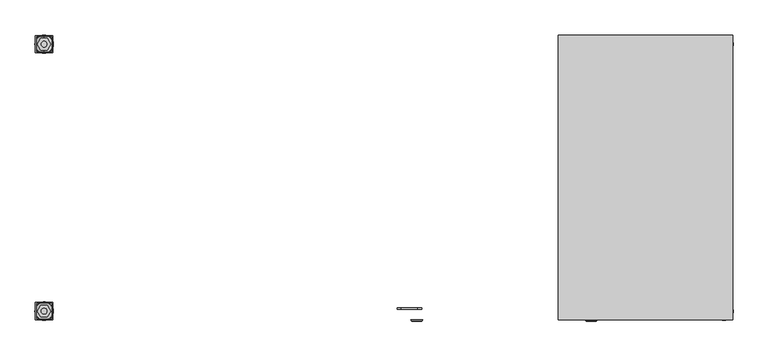
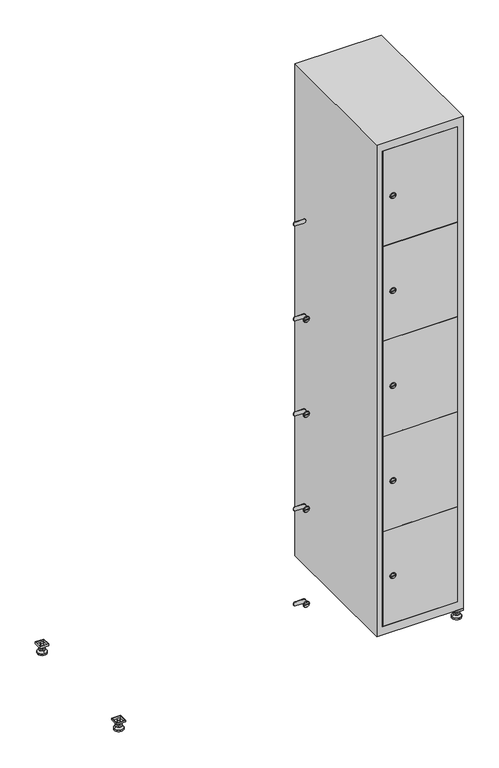
"""IFC4 building model written with IfcOpenShell, lengths in millimetres: furniture geometry."""

from ifc_helpers import new_model, si_unit, point, frame, frame_2d, origin, origin_with_axes, place, context, project, spatial, polyline, circle_curve, trimmed, segment, composite_curve, outline, extrude, faceted_brep, source, transform, mapped, element, save
from ifc_brep_helpers import plane_surface, revolved_surface, advanced_brep


def furniture_40cb9437(model_context):
    return source(origin(), model_context, "Body", "SolidModel", [
        extrude(outline(polyline([(1000.0, 245.0), (1000.0, 215.0), (970.0, 215.0), (970.0, 245.0), (1000.0, 245.0)]), holes=[polyline([(998.0, 243.0), (972.0, 243.0), (972.0, 217.0), (998.0, 217.0), (998.0, 243.0)])]), frame((0.0, 0.0, 28.5), z_axis=(0.0, 0.0, 1.0), x_axis=(1.0, 0.0, 0.0)), (0.0, 0.0, 1.0), 6.5),
        extrude(outline(polyline([(970.0, -245.0), (970.0, -215.0), (1000.0, -215.0), (1000.0, -245.0), (970.0, -245.0)]), holes=[polyline([(972.0, -243.0), (998.0, -243.0), (998.0, -217.0), (972.0, -217.0), (972.0, -243.0)])]), frame((0.0, 0.0, 28.5), z_axis=(0.0, 0.0, 1.0), x_axis=(1.0, 0.0, 0.0)), (0.0, 0.0, 1.0), 6.5),
        extrude(outline(polyline([(-170.0, 245.0), (-170.0, 215.0), (-200.0, 215.0), (-200.0, 245.0), (-170.0, 245.0)]), holes=[polyline([(-172.0, 243.0), (-198.0, 243.0), (-198.0, 217.0), (-172.0, 217.0), (-172.0, 243.0)])]), frame((0.0, 0.0, 28.5), z_axis=(0.0, 0.0, 1.0), x_axis=(1.0, 0.0, 0.0)), (0.0, 0.0, 1.0), 6.5),
        extrude(outline(polyline([(-170.0, -215.0), (-170.0, -245.0), (-200.0, -245.0), (-200.0, -215.0), (-170.0, -215.0)]), holes=[polyline([(-198.0, -243.0), (-172.0, -243.0), (-172.0, -217.0), (-198.0, -217.0), (-198.0, -243.0)])]), frame((0.0, 0.0, 28.5), z_axis=(0.0, 0.0, 1.0), x_axis=(1.0, 0.0, 0.0)), (0.0, 0.0, 1.0), 6.5),
        extrude(outline(composite_curve([segment(trimmed(circle_curve(frame_2d((-185.0, 230.0)), 5.0), [point((-180.0, 230.0))], [point((-190.0, 230.0))], False, "CARTESIAN"), True, "CONTINUOUS"), segment(trimmed(circle_curve(frame_2d((-185.0, 230.0)), 5.0), [point((-190.0, 230.0))], [point((-180.0, 230.0))], False, "CARTESIAN"), True, "CONTINUOUS")], self_intersect=False)), frame((0.0, 0.0, 19.6), z_axis=(0.0, 0.0, 1.0), x_axis=(1.0, 0.0, 0.0)), (0.0, 0.0, 1.0), 15.4),
        extrude(outline(composite_curve([segment(trimmed(circle_curve(frame_2d((-185.0, -230.0)), 5.0), [point((-180.0, -230.0))], [point((-190.0, -230.0))], False, "CARTESIAN"), True, "CONTINUOUS"), segment(trimmed(circle_curve(frame_2d((-185.0, -230.0)), 5.0), [point((-190.0, -230.0))], [point((-180.0, -230.0))], False, "CARTESIAN"), True, "CONTINUOUS")], self_intersect=False)), frame((0.0, 0.0, 19.6), z_axis=(0.0, 0.0, 1.0), x_axis=(1.0, 0.0, 0.0)), (0.0, 0.0, 1.0), 15.4),
        extrude(outline(composite_curve([segment(trimmed(circle_curve(frame_2d((985.0, 230.0)), 5.0), [point((990.0, 230.0))], [point((980.0, 230.0))], False, "CARTESIAN"), True, "CONTINUOUS"), segment(trimmed(circle_curve(frame_2d((985.0, 230.0)), 5.0), [point((980.0, 230.0))], [point((990.0, 230.0))], False, "CARTESIAN"), True, "CONTINUOUS")], self_intersect=False)), frame((0.0, 0.0, 19.6), z_axis=(0.0, 0.0, 1.0), x_axis=(1.0, 0.0, 0.0)), (0.0, 0.0, 1.0), 15.4),
        extrude(outline(polyline([(973.4529946, 230.0), (979.2264973, 240.0), (990.7735027, 240.0), (996.5470054, 230.0), (990.7735027, 220.0), (979.2264973, 220.0), (973.4529946, 230.0)])), frame((0.0, 0.0, 13.6), z_axis=(0.0, 0.0, 1.0), x_axis=(1.0, 0.0, 0.0)), (0.0, 0.0, 1.0), 6.0),
        extrude(outline(composite_curve([segment(trimmed(circle_curve(frame_2d((985.0, -230.0)), 5.0), [point((990.0, -230.0))], [point((980.0, -230.0))], False, "CARTESIAN"), True, "CONTINUOUS"), segment(trimmed(circle_curve(frame_2d((985.0, -230.0)), 5.0), [point((980.0, -230.0))], [point((990.0, -230.0))], False, "CARTESIAN"), True, "CONTINUOUS")], self_intersect=False)), frame((0.0, 0.0, 19.6), z_axis=(0.0, 0.0, 1.0), x_axis=(1.0, 0.0, 0.0)), (0.0, 0.0, 1.0), 15.4),
        extrude(outline(polyline([(973.4529946, -230.0), (979.2264973, -220.0), (990.7735027, -220.0), (996.5470054, -230.0), (990.7735027, -240.0), (979.2264973, -240.0), (973.4529946, -230.0)])), frame((0.0, 0.0, 13.6), z_axis=(0.0, 0.0, 1.0), x_axis=(1.0, 0.0, 0.0)), (0.0, 0.0, 1.0), 6.0),
        extrude(outline(composite_curve([segment(trimmed(circle_curve(frame_2d((985.0, 230.0)), 5.0), [point((990.0, 230.0))], [point((980.0, 230.0))], False, "CARTESIAN"), True, "CONTINUOUS"), segment(trimmed(circle_curve(frame_2d((985.0, 230.0)), 5.0), [point((980.0, 230.0))], [point((990.0, 230.0))], False, "CARTESIAN"), True, "CONTINUOUS")], self_intersect=False)), frame((0.0, 0.0, 12.1), z_axis=(0.0, 0.0, 1.0), x_axis=(1.0, 0.0, 0.0)), (0.0, 0.0, 1.0), 1.5),
        extrude(outline(composite_curve([segment(trimmed(circle_curve(frame_2d((985.0, -230.0)), 5.0), [point((990.0, -230.0))], [point((980.0, -230.0))], False, "CARTESIAN"), True, "CONTINUOUS"), segment(trimmed(circle_curve(frame_2d((985.0, -230.0)), 5.0), [point((980.0, -230.0))], [point((990.0, -230.0))], False, "CARTESIAN"), True, "CONTINUOUS")], self_intersect=False)), frame((0.0, 0.0, 12.1), z_axis=(0.0, 0.0, 1.0), x_axis=(1.0, 0.0, 0.0)), (0.0, 0.0, 1.0), 1.5),
        extrude(outline(polyline([(-196.5470054, 230.0), (-190.7735027, 240.0), (-179.2264973, 240.0), (-173.4529946, 230.0), (-179.2264973, 220.0), (-190.7735027, 220.0), (-196.5470054, 230.0)])), frame((0.0, 0.0, 13.6), z_axis=(0.0, 0.0, 1.0), x_axis=(1.0, 0.0, 0.0)), (0.0, 0.0, 1.0), 6.0),
        extrude(outline(polyline([(-196.5470054, -230.0), (-190.7735027, -220.0), (-179.2264973, -220.0), (-173.4529946, -230.0), (-179.2264973, -240.0), (-190.7735027, -240.0), (-196.5470054, -230.0)])), frame((0.0, 0.0, 13.6), z_axis=(0.0, 0.0, 1.0), x_axis=(1.0, 0.0, 0.0)), (0.0, 0.0, 1.0), 6.0),
        extrude(outline(composite_curve([segment(trimmed(circle_curve(frame_2d((-185.0, 230.0)), 5.0), [point((-185.0, 235.0))], [point((-185.0, 225.0))], False, "CARTESIAN"), True, "CONTINUOUS"), segment(trimmed(circle_curve(frame_2d((-185.0, 230.0)), 5.0), [point((-185.0, 225.0))], [point((-185.0, 235.0))], False, "CARTESIAN"), True, "CONTINUOUS")], self_intersect=False)), frame((0.0, 0.0, 12.1), z_axis=(0.0, 0.0, 1.0), x_axis=(1.0, 0.0, 0.0)), (0.0, 0.0, 1.0), 1.5),
        extrude(outline(composite_curve([segment(trimmed(circle_curve(frame_2d((-185.0, -230.0)), 5.0), [point((-180.0, -230.0))], [point((-190.0, -230.0))], False, "CARTESIAN"), True, "CONTINUOUS"), segment(trimmed(circle_curve(frame_2d((-185.0, -230.0)), 5.0), [point((-190.0, -230.0))], [point((-180.0, -230.0))], False, "CARTESIAN"), True, "CONTINUOUS")], self_intersect=False)), frame((0.0, 0.0, 12.1), z_axis=(0.0, 0.0, 1.0), x_axis=(1.0, 0.0, 0.0)), (0.0, 0.0, 1.0), 1.5),
        extrude(outline(composite_curve([segment(trimmed(circle_curve(frame_2d((985.0, 230.0)), 15.75), [point((1000.75, 230.0))], [point((969.25, 230.0))], False, "CARTESIAN"), True, "CONTINUOUS"), segment(trimmed(circle_curve(frame_2d((985.0, 230.0)), 15.75), [point((969.25, 230.0))], [point((1000.75, 230.0))], False, "CARTESIAN"), True, "CONTINUOUS")], self_intersect=False)), origin_with_axes(), (0.0, 0.0, 1.0), 5.1),
        extrude(outline(composite_curve([segment(trimmed(circle_curve(frame_2d((985.0, -230.0)), 15.75), [point((985.0, -214.25))], [point((985.0, -245.75))], False, "CARTESIAN"), True, "CONTINUOUS"), segment(trimmed(circle_curve(frame_2d((985.0, -230.0)), 15.75), [point((985.0, -245.75))], [point((985.0, -214.25))], False, "CARTESIAN"), True, "CONTINUOUS")], self_intersect=False)), origin_with_axes(), (0.0, 0.0, 1.0), 5.1),
        extrude(outline(composite_curve([segment(trimmed(circle_curve(frame_2d((-185.0, -230.0)), 15.75), [point((-169.25, -230.0))], [point((-200.75, -230.0))], False, "CARTESIAN"), True, "CONTINUOUS"), segment(trimmed(circle_curve(frame_2d((-185.0, -230.0)), 15.75), [point((-200.75, -230.0))], [point((-169.25, -230.0))], False, "CARTESIAN"), True, "CONTINUOUS")], self_intersect=False)), origin_with_axes(), (0.0, 0.0, 1.0), 5.1),
        extrude(outline(composite_curve([segment(trimmed(circle_curve(frame_2d((-185.0, 230.0)), 15.75), [point((-169.25, 230.0))], [point((-200.75, 230.0))], False, "CARTESIAN"), True, "CONTINUOUS"), segment(trimmed(circle_curve(frame_2d((-185.0, 230.0)), 15.75), [point((-200.75, 230.0))], [point((-169.25, 230.0))], False, "CARTESIAN"), True, "CONTINUOUS")], self_intersect=False)), origin_with_axes(), (0.0, 0.0, 1.0), 5.1),
        advanced_brep(
        [(-185.0, 245.75, 5.1), (-185.0, 214.25, 5.1), (-185.0, 239.5, 12.1), (-185.0, 220.5, 12.1)],
        [
            (0, 1, circle_curve(frame((-185.0, 230.0, 5.1), z_axis=(0.0, 0.0, -1.0), x_axis=(0.0, 1.0, 0.0)), 15.75)),
            (1, 0, circle_curve(frame((-185.0, 230.0, 5.1), z_axis=(0.0, 0.0, -1.0), x_axis=(0.0, -1.0, 0.0)), 15.75)),
            (2, 3, circle_curve(frame((-185.0, 230.0, 12.1), z_axis=(0.0, 0.0, 1.0), x_axis=(0.0, -1.0, 0.0)), 9.5)),
            (3, 2, circle_curve(frame((-185.0, 230.0, 12.1), z_axis=(0.0, 0.0, 1.0), x_axis=(0.0, 1.0, 0.0)), 9.5)),
            (3, 1),
            (0, 2),
        ],
        [
            plane_surface(frame((-185.0, 230.0, 5.1), z_axis=(0.0, 0.0, -1.0), x_axis=(1.0, 0.0, 0.0))),
            plane_surface(frame((-185.0, 230.0, 12.1), z_axis=(0.0, 0.0, 1.0), x_axis=(1.0, 0.0, 0.0))),
            revolved_surface(polyline([(-185.0, 220.5, 12.099999999999998), (-185.0, 214.25, 5.099999999999998)]), (-185.0, 230.0, 22.74), (0.0, 0.0, -1.0)),
            revolved_surface(polyline([(-185.0, 239.5, 12.099999999999998), (-185.0, 245.75, 5.099999999999998)]), (-185.0, 230.0, 22.74), (0.0, 0.0, -1.0)),
        ],
        [
            (0, [[1, 2]]),
            (1, [[3, 4]]),
            (2, [[-4, 5, -1, 6]]),
            (3, [[-3, -6, -2, -5]]),
        ],
    ),
        advanced_brep(
        [(985.0, 245.75, 5.1), (985.0, 214.25, 5.1), (985.0, 239.5, 12.1), (985.0, 220.5, 12.1)],
        [
            (0, 1, circle_curve(frame((985.0, 230.0, 5.1), z_axis=(0.0, 0.0, -1.0), x_axis=(0.0, 1.0, 0.0)), 15.75)),
            (1, 0, circle_curve(frame((985.0, 230.0, 5.1), z_axis=(0.0, 0.0, -1.0), x_axis=(0.0, -1.0, 0.0)), 15.75)),
            (2, 3, circle_curve(frame((985.0, 230.0, 12.1), z_axis=(0.0, 0.0, 1.0), x_axis=(0.0, -1.0, 0.0)), 9.5)),
            (3, 2, circle_curve(frame((985.0, 230.0, 12.1), z_axis=(0.0, 0.0, 1.0), x_axis=(0.0, 1.0, 0.0)), 9.5)),
            (3, 1),
            (0, 2),
        ],
        [
            plane_surface(frame((985.0, 230.0, 5.1), z_axis=(0.0, 0.0, -1.0), x_axis=(1.0, 0.0, 0.0))),
            plane_surface(frame((985.0, 230.0, 12.1), z_axis=(0.0, 0.0, 1.0), x_axis=(1.0, 0.0, 0.0))),
            revolved_surface(polyline([(985.0, 220.5, 12.099999999999998), (985.0, 214.25, 5.099999999999998)]), (985.0, 230.0, 22.74), (0.0, 0.0, -1.0)),
            revolved_surface(polyline([(985.0, 239.5, 12.099999999999998), (985.0, 245.75, 5.099999999999998)]), (985.0, 230.0, 22.74), (0.0, 0.0, -1.0)),
        ],
        [
            (0, [[1, 2]]),
            (1, [[3, 4]]),
            (2, [[-4, 5, -1, 6]]),
            (3, [[-3, -6, -2, -5]]),
        ],
    ),
        advanced_brep(
        [(994.5, -230.0, 12.1), (975.5, -230.0, 12.1), (1000.75, -230.0, 5.1), (969.25, -230.0, 5.1)],
        [
            (0, 1, circle_curve(frame((985.0, -230.0, 12.1), z_axis=(0.0, 0.0, 1.0), x_axis=(1.0, 0.0, 0.0)), 9.5)),
            (1, 0, circle_curve(frame((985.0, -230.0, 12.1), z_axis=(0.0, 0.0, 1.0), x_axis=(-1.0, 0.0, 0.0)), 9.5)),
            (2, 3, circle_curve(frame((985.0, -230.0, 5.1), z_axis=(0.0, 0.0, -1.0), x_axis=(-1.0, 0.0, 0.0)), 15.75)),
            (3, 2, circle_curve(frame((985.0, -230.0, 5.1), z_axis=(0.0, 0.0, -1.0), x_axis=(1.0, 0.0, 0.0)), 15.75)),
            (3, 1),
            (0, 2),
        ],
        [
            plane_surface(frame((985.0, -230.0, 12.1), z_axis=(0.0, 0.0, 1.0), x_axis=(0.0, 1.0, 0.0))),
            plane_surface(frame((985.0, -230.0, 5.1), z_axis=(0.0, 0.0, -1.0), x_axis=(0.0, 1.0, 0.0))),
            revolved_surface(polyline([(994.5, -230.0, 12.099999999999998), (1000.75, -230.0, 5.099999999999998)]), (985.0, -230.0, 22.74), (0.0, 0.0, -1.0)),
            revolved_surface(polyline([(975.5, -230.0, 12.099999999999998), (969.25, -230.0, 5.099999999999998)]), (985.0, -230.0, 22.74), (0.0, 0.0, -1.0)),
        ],
        [
            (0, [[1, 2]]),
            (1, [[3, 4]]),
            (2, [[-4, 5, -1, 6]]),
            (3, [[-3, -6, -2, -5]]),
        ],
    ),
        advanced_brep(
        [(-175.5, -230.0, 12.1), (-194.5, -230.0, 12.1), (-169.25, -230.0, 5.1), (-200.75, -230.0, 5.1)],
        [
            (0, 1, circle_curve(frame((-185.0, -230.0, 12.1), z_axis=(0.0, 0.0, 1.0), x_axis=(1.0, 0.0, 0.0)), 9.5)),
            (1, 0, circle_curve(frame((-185.0, -230.0, 12.1), z_axis=(0.0, 0.0, 1.0), x_axis=(-1.0, 0.0, 0.0)), 9.5)),
            (2, 3, circle_curve(frame((-185.0, -230.0, 5.1), z_axis=(0.0, 0.0, -1.0), x_axis=(-1.0, 0.0, 0.0)), 15.75)),
            (3, 2, circle_curve(frame((-185.0, -230.0, 5.1), z_axis=(0.0, 0.0, -1.0), x_axis=(1.0, 0.0, 0.0)), 15.75)),
            (3, 1),
            (0, 2),
        ],
        [
            plane_surface(frame((-185.0, -230.0, 12.1), z_axis=(0.0, 0.0, 1.0), x_axis=(0.0, 1.0, 0.0))),
            plane_surface(frame((-185.0, -230.0, 5.1), z_axis=(0.0, 0.0, -1.0), x_axis=(0.0, 1.0, 0.0))),
            revolved_surface(polyline([(-175.5, -230.0, 12.099999999999998), (-169.25, -230.0, 5.099999999999998)]), (-185.0, -230.0, 22.74), (0.0, 0.0, -1.0)),
            revolved_surface(polyline([(-194.5, -230.0, 12.099999999999998), (-200.75, -230.0, 5.099999999999998)]), (-185.0, -230.0, 22.74), (0.0, 0.0, -1.0)),
        ],
        [
            (0, [[1, 2]]),
            (1, [[3, 4]]),
            (2, [[-4, 5, -1, 6]]),
            (3, [[-3, -6, -2, -5]]),
        ],
    ),
        extrude(outline(composite_curve([segment(trimmed(circle_curve(frame_2d((239.96, 729.6010534)), 7.0), [point((246.96, 729.6010534))], [point((232.96, 729.6010534))], False, "CARTESIAN"), True, "CONTINUOUS"), segment(polyline([(232.96, 729.6010534), (232.96, 757.6010534)]), True, "CONTINUOUS"), segment(trimmed(circle_curve(frame_2d((239.96, 757.6010534)), 7.0), [point((232.96, 757.6010534))], [point((246.96, 757.6010534))], False, "CARTESIAN"), True, "CONTINUOUS"), segment(polyline([(246.96, 757.6010534), (246.96, 729.6010534)]), True, "CONTINUOUS")], self_intersect=False)), frame((0.0, -227.0, 0.0), z_axis=(0.0, 1.0, 0.0), x_axis=(0.0, 0.0, 1.0)), (0.0, 0.0, 1.0), 2.0),
        advanced_brep(
        [(764.9, -247.2, 239.96), (747.9, -247.2, 239.96), (751.4, -247.2, 238.71), (751.4, -247.2, 241.21), (761.4, -247.2, 241.21), (761.4, -247.2, 238.71), (766.9, -245.0, 239.96), (745.9, -245.0, 239.96), (751.4, -245.0, 241.21), (751.4, -245.0, 238.71), (761.4, -245.0, 238.71), (761.4, -245.0, 241.21)],
        [
            (0, 1, circle_curve(frame((756.4, -247.2, 239.96), z_axis=(0.0, -1.0, 0.0), x_axis=(1.0, 0.0, 0.0)), 8.5)),
            (1, 0, circle_curve(frame((756.4, -247.2, 239.96), z_axis=(0.0, -1.0, 0.0), x_axis=(-1.0, 0.0, 0.0)), 8.5)),
            (2, 3),
            (3, 4),
            (4, 5),
            (5, 2),
            (6, 7, circle_curve(frame((756.4, -245.0, 239.96), z_axis=(0.0, 1.0, 0.0), x_axis=(-1.0, 0.0, 0.0)), 10.5)),
            (7, 6, circle_curve(frame((756.4, -245.0, 239.96), z_axis=(0.0, 1.0, 0.0), x_axis=(1.0, 0.0, 0.0)), 10.5)),
            (8, 9),
            (9, 10),
            (10, 11),
            (11, 8),
            (0, 6),
            (7, 1),
            (8, 3),
            (2, 9),
            (11, 4),
            (10, 5),
        ],
        [
            plane_surface(frame((756.4, -247.2, 239.96), z_axis=(0.0, -1.0, 0.0), x_axis=(0.0, 0.0, 1.0))),
            plane_surface(frame((756.4, -245.0, 239.96), z_axis=(0.0, 1.0, 0.0), x_axis=(0.0, 0.0, 1.0))),
            revolved_surface(polyline([(764.9, -247.2, 239.96), (766.9, -245.0, 239.96)]), (756.4, -256.55, 239.96), (0.0, 1.0, 0.0)),
            revolved_surface(polyline([(747.9, -247.2, 239.96), (745.9, -245.0, 239.96)]), (756.4, -256.55, 239.96), (0.0, 1.0, 0.0)),
            plane_surface(frame((751.4, -245.0, 238.71), z_axis=(1.0, 0.0, 0.0), x_axis=(0.0, -1.0, 0.0))),
            plane_surface(frame((751.4, -245.0, 241.21), z_axis=(0.0, 0.0, -1.0), x_axis=(0.0, -1.0, 0.0))),
            plane_surface(frame((761.4, -245.0, 241.21), z_axis=(-1.0, 0.0, 0.0), x_axis=(0.0, -1.0, 0.0))),
            plane_surface(frame((761.4, -245.0, 238.71), z_axis=(0.0, 0.0, 1.0), x_axis=(0.0, -1.0, 0.0))),
        ],
        [
            (0, [[1, 2], [3, 4, 5, 6]]),
            (1, [[7, 8], [9, 10, 11, 12]]),
            (2, [[-1, 13, -8, 14]]),
            (3, [[-2, -14, -7, -13]]),
            (4, [[15, -3, 16, -9]]),
            (5, [[-15, -12, 17, -4]]),
            (6, [[-17, -11, 18, -5]]),
            (7, [[-16, -6, -18, -10]]),
        ],
    ),
        extrude(outline(composite_curve([segment(trimmed(circle_curve(frame_2d((587.48, 729.6010534)), 7.0), [point((594.48, 729.6010534))], [point((580.48, 729.6010534))], False, "CARTESIAN"), True, "CONTINUOUS"), segment(polyline([(580.48, 729.6010534), (580.48, 757.6010534)]), True, "CONTINUOUS"), segment(trimmed(circle_curve(frame_2d((587.48, 757.6010534)), 7.0), [point((580.48, 757.6010534))], [point((594.48, 757.6010534))], False, "CARTESIAN"), True, "CONTINUOUS"), segment(polyline([(594.48, 757.6010534), (594.48, 729.6010534)]), True, "CONTINUOUS")], self_intersect=False)), frame((0.0, -227.0, 0.0), z_axis=(0.0, 1.0, 0.0), x_axis=(0.0, 0.0, 1.0)), (0.0, 0.0, 1.0), 2.0),
        advanced_brep(
        [(764.9, -247.2, 587.48), (747.9, -247.2, 587.48), (751.4, -247.2, 586.23), (751.4, -247.2, 588.73), (761.4, -247.2, 588.73), (761.4, -247.2, 586.23), (766.9, -245.0, 587.48), (745.9, -245.0, 587.48), (751.4, -245.0, 588.73), (751.4, -245.0, 586.23), (761.4, -245.0, 586.23), (761.4, -245.0, 588.73)],
        [
            (0, 1, circle_curve(frame((756.4, -247.2, 587.48), z_axis=(0.0, -1.0, 0.0), x_axis=(1.0, 0.0, 0.0)), 8.5)),
            (1, 0, circle_curve(frame((756.4, -247.2, 587.48), z_axis=(0.0, -1.0, 0.0), x_axis=(-1.0, 0.0, 0.0)), 8.5)),
            (2, 3),
            (3, 4),
            (4, 5),
            (5, 2),
            (6, 7, circle_curve(frame((756.4, -245.0, 587.48), z_axis=(0.0, 1.0, 0.0), x_axis=(-1.0, 0.0, 0.0)), 10.5)),
            (7, 6, circle_curve(frame((756.4, -245.0, 587.48), z_axis=(0.0, 1.0, 0.0), x_axis=(1.0, 0.0, 0.0)), 10.5)),
            (8, 9),
            (9, 10),
            (10, 11),
            (11, 8),
            (0, 6),
            (7, 1),
            (8, 3),
            (2, 9),
            (11, 4),
            (10, 5),
        ],
        [
            plane_surface(frame((756.4, -247.2, 587.48), z_axis=(0.0, -1.0, 0.0), x_axis=(0.0, 0.0, 1.0))),
            plane_surface(frame((756.4, -245.0, 587.48), z_axis=(0.0, 1.0, 0.0), x_axis=(0.0, 0.0, 1.0))),
            revolved_surface(polyline([(764.9, -247.2, 587.48), (766.9, -245.0, 587.48)]), (756.4, -256.55, 587.48), (0.0, 1.0, 0.0)),
            revolved_surface(polyline([(747.9, -247.2, 587.48), (745.9, -245.0, 587.48)]), (756.4, -256.55, 587.48), (0.0, 1.0, 0.0)),
            plane_surface(frame((751.4, -245.0, 586.23), z_axis=(1.0, 0.0, 0.0), x_axis=(0.0, -1.0, 0.0))),
            plane_surface(frame((751.4, -245.0, 588.73), z_axis=(0.0, 0.0, -1.0), x_axis=(0.0, -1.0, 0.0))),
            plane_surface(frame((761.4, -245.0, 588.73), z_axis=(-1.0, 0.0, 0.0), x_axis=(0.0, -1.0, 0.0))),
            plane_surface(frame((761.4, -245.0, 586.23), z_axis=(0.0, 0.0, 1.0), x_axis=(0.0, -1.0, 0.0))),
        ],
        [
            (0, [[1, 2], [3, 4, 5, 6]]),
            (1, [[7, 8], [9, 10, 11, 12]]),
            (2, [[-1, 13, -8, 14]]),
            (3, [[-2, -14, -7, -13]]),
            (4, [[15, -3, 16, -9]]),
            (5, [[-15, -12, 17, -4]]),
            (6, [[-17, -11, 18, -5]]),
            (7, [[-16, -6, -18, -10]]),
        ],
    ),
        extrude(outline(composite_curve([segment(trimmed(circle_curve(frame_2d((935.0, 729.6010534)), 7.0), [point((942.0, 729.6010534))], [point((928.0, 729.6010534))], False, "CARTESIAN"), True, "CONTINUOUS"), segment(polyline([(928.0, 729.6010534), (928.0, 757.6010534)]), True, "CONTINUOUS"), segment(trimmed(circle_curve(frame_2d((935.0, 757.6010534)), 7.0), [point((928.0, 757.6010534))], [point((942.0, 757.6010534))], False, "CARTESIAN"), True, "CONTINUOUS"), segment(polyline([(942.0, 757.6010534), (942.0, 729.6010534)]), True, "CONTINUOUS")], self_intersect=False)), frame((0.0, -227.0, 0.0), z_axis=(0.0, 1.0, 0.0), x_axis=(0.0, 0.0, 1.0)), (0.0, 0.0, 1.0), 2.0),
        advanced_brep(
        [(764.9, -247.2, 935.0), (747.9, -247.2, 935.0), (751.4, -247.2, 933.75), (751.4, -247.2, 936.25), (761.4, -247.2, 936.25), (761.4, -247.2, 933.75), (766.9, -245.0, 935.0), (745.9, -245.0, 935.0), (751.4, -245.0, 936.25), (751.4, -245.0, 933.75), (761.4, -245.0, 933.75), (761.4, -245.0, 936.25)],
        [
            (0, 1, circle_curve(frame((756.4, -247.2, 935.0), z_axis=(0.0, -1.0, 0.0), x_axis=(1.0, 0.0, 0.0)), 8.5)),
            (1, 0, circle_curve(frame((756.4, -247.2, 935.0), z_axis=(0.0, -1.0, 0.0), x_axis=(-1.0, 0.0, 0.0)), 8.5)),
            (2, 3),
            (3, 4),
            (4, 5),
            (5, 2),
            (6, 7, circle_curve(frame((756.4, -245.0, 935.0), z_axis=(0.0, 1.0, 0.0), x_axis=(-1.0, 0.0, 0.0)), 10.5)),
            (7, 6, circle_curve(frame((756.4, -245.0, 935.0), z_axis=(0.0, 1.0, 0.0), x_axis=(1.0, 0.0, 0.0)), 10.5)),
            (8, 9),
            (9, 10),
            (10, 11),
            (11, 8),
            (0, 6),
            (7, 1),
            (8, 3),
            (2, 9),
            (11, 4),
            (10, 5),
        ],
        [
            plane_surface(frame((756.4, -247.2, 935.0), z_axis=(0.0, -1.0, 0.0), x_axis=(0.0, 0.0, 1.0))),
            plane_surface(frame((756.4, -245.0, 935.0), z_axis=(0.0, 1.0, 0.0), x_axis=(0.0, 0.0, 1.0))),
            revolved_surface(polyline([(764.9, -247.2, 935.0), (766.9, -245.0, 935.0)]), (756.4, -256.55, 935.0), (0.0, 1.0, 0.0)),
            revolved_surface(polyline([(747.9, -247.2, 935.0), (745.9, -245.0, 935.0)]), (756.4, -256.55, 935.0), (0.0, 1.0, 0.0)),
            plane_surface(frame((751.4, -245.0, 933.75), z_axis=(1.0, 0.0, 0.0), x_axis=(0.0, -1.0, 0.0))),
            plane_surface(frame((751.4, -245.0, 936.25), z_axis=(0.0, 0.0, -1.0), x_axis=(0.0, -1.0, 0.0))),
            plane_surface(frame((761.4, -245.0, 936.25), z_axis=(-1.0, 0.0, 0.0), x_axis=(0.0, -1.0, 0.0))),
            plane_surface(frame((761.4, -245.0, 933.75), z_axis=(0.0, 0.0, 1.0), x_axis=(0.0, -1.0, 0.0))),
        ],
        [
            (0, [[1, 2], [3, 4, 5, 6]]),
            (1, [[7, 8], [9, 10, 11, 12]]),
            (2, [[-1, 13, -8, 14]]),
            (3, [[-2, -14, -7, -13]]),
            (4, [[15, -3, 16, -9]]),
            (5, [[-15, -12, 17, -4]]),
            (6, [[-17, -11, 18, -5]]),
            (7, [[-16, -6, -18, -10]]),
        ],
    ),
        extrude(outline(composite_curve([segment(trimmed(circle_curve(frame_2d((1282.52, 729.6010534)), 7.0), [point((1289.52, 729.6010534))], [point((1275.52, 729.6010534))], False, "CARTESIAN"), True, "CONTINUOUS"), segment(polyline([(1275.52, 729.6010534), (1275.52, 757.6010534)]), True, "CONTINUOUS"), segment(trimmed(circle_curve(frame_2d((1282.52, 757.6010534)), 7.0), [point((1275.52, 757.6010534))], [point((1289.52, 757.6010534))], False, "CARTESIAN"), True, "CONTINUOUS"), segment(polyline([(1289.52, 757.6010534), (1289.52, 729.6010534)]), True, "CONTINUOUS")], self_intersect=False)), frame((0.0, -227.0, 0.0), z_axis=(0.0, 1.0, 0.0), x_axis=(0.0, 0.0, 1.0)), (0.0, 0.0, 1.0), 2.0),
        advanced_brep(
        [(764.9, -247.2, 1282.52), (747.9, -247.2, 1282.52), (751.4, -247.2, 1281.27), (751.4, -247.2, 1283.77), (761.4, -247.2, 1283.77), (761.4, -247.2, 1281.27), (766.9, -245.0, 1282.52), (745.9, -245.0, 1282.52), (751.4, -245.0, 1283.77), (751.4, -245.0, 1281.27), (761.4, -245.0, 1281.27), (761.4, -245.0, 1283.77)],
        [
            (0, 1, circle_curve(frame((756.4, -247.2, 1282.52), z_axis=(0.0, -1.0, 0.0), x_axis=(1.0, 0.0, 0.0)), 8.5)),
            (1, 0, circle_curve(frame((756.4, -247.2, 1282.52), z_axis=(0.0, -1.0, 0.0), x_axis=(-1.0, 0.0, 0.0)), 8.5)),
            (2, 3),
            (3, 4),
            (4, 5),
            (5, 2),
            (6, 7, circle_curve(frame((756.4, -245.0, 1282.52), z_axis=(0.0, 1.0, 0.0), x_axis=(-1.0, 0.0, 0.0)), 10.5)),
            (7, 6, circle_curve(frame((756.4, -245.0, 1282.52), z_axis=(0.0, 1.0, 0.0), x_axis=(1.0, 0.0, 0.0)), 10.5)),
            (8, 9),
            (9, 10),
            (10, 11),
            (11, 8),
            (0, 6),
            (7, 1),
            (8, 3),
            (2, 9),
            (11, 4),
            (10, 5),
        ],
        [
            plane_surface(frame((756.4, -247.2, 1282.52), z_axis=(0.0, -1.0, 0.0), x_axis=(0.0, 0.0, 1.0))),
            plane_surface(frame((756.4, -245.0, 1282.52), z_axis=(0.0, 1.0, 0.0), x_axis=(0.0, 0.0, 1.0))),
            revolved_surface(polyline([(764.9, -247.2, 1282.52), (766.9, -245.0, 1282.52)]), (756.4, -256.55, 1282.52), (0.0, 1.0, 0.0)),
            revolved_surface(polyline([(747.9, -247.2, 1282.52), (745.9, -245.0, 1282.52)]), (756.4, -256.55, 1282.52), (0.0, 1.0, 0.0)),
            plane_surface(frame((751.4, -245.0, 1281.27), z_axis=(1.0, 0.0, 0.0), x_axis=(0.0, -1.0, 0.0))),
            plane_surface(frame((751.4, -245.0, 1283.77), z_axis=(0.0, 0.0, -1.0), x_axis=(0.0, -1.0, 0.0))),
            plane_surface(frame((761.4, -245.0, 1283.77), z_axis=(-1.0, 0.0, 0.0), x_axis=(0.0, -1.0, 0.0))),
            plane_surface(frame((761.4, -245.0, 1281.27), z_axis=(0.0, 0.0, 1.0), x_axis=(0.0, -1.0, 0.0))),
        ],
        [
            (0, [[1, 2], [3, 4, 5, 6]]),
            (1, [[7, 8], [9, 10, 11, 12]]),
            (2, [[-1, 13, -8, 14]]),
            (3, [[-2, -14, -7, -13]]),
            (4, [[15, -3, 16, -9]]),
            (5, [[-15, -12, 17, -4]]),
            (6, [[-17, -11, 18, -5]]),
            (7, [[-16, -6, -18, -10]]),
        ],
    ),
        extrude(outline(composite_curve([segment(trimmed(circle_curve(frame_2d((1630.04, 729.6010534)), 7.0), [point((1637.04, 729.6010534))], [point((1623.04, 729.6010534))], False, "CARTESIAN"), True, "CONTINUOUS"), segment(polyline([(1623.04, 729.6010534), (1623.04, 757.6010534)]), True, "CONTINUOUS"), segment(trimmed(circle_curve(frame_2d((1630.04, 757.6010534)), 7.0), [point((1623.04, 757.6010534))], [point((1637.04, 757.6010534))], False, "CARTESIAN"), True, "CONTINUOUS"), segment(polyline([(1637.04, 757.6010534), (1637.04, 729.6010534)]), True, "CONTINUOUS")], self_intersect=False)), frame((0.0, -227.0, 0.0), z_axis=(0.0, 1.0, 0.0), x_axis=(0.0, 0.0, 1.0)), (0.0, 0.0, 1.0), 2.0),
        advanced_brep(
        [(764.9, -247.2, 1630.04), (747.9, -247.2, 1630.04), (751.4, -247.2, 1628.79), (751.4, -247.2, 1631.29), (761.4, -247.2, 1631.29), (761.4, -247.2, 1628.79), (766.9, -245.0, 1630.04), (745.9, -245.0, 1630.04), (751.4, -245.0, 1631.29), (751.4, -245.0, 1628.79), (761.4, -245.0, 1628.79), (761.4, -245.0, 1631.29)],
        [
            (0, 1, circle_curve(frame((756.4, -247.2, 1630.04), z_axis=(0.0, -1.0, 0.0), x_axis=(1.0, 0.0, 0.0)), 8.5)),
            (1, 0, circle_curve(frame((756.4, -247.2, 1630.04), z_axis=(0.0, -1.0, 0.0), x_axis=(-1.0, 0.0, 0.0)), 8.5)),
            (2, 3),
            (3, 4),
            (4, 5),
            (5, 2),
            (6, 7, circle_curve(frame((756.4, -245.0, 1630.04), z_axis=(0.0, 1.0, 0.0), x_axis=(-1.0, 0.0, 0.0)), 10.5)),
            (7, 6, circle_curve(frame((756.4, -245.0, 1630.04), z_axis=(0.0, 1.0, 0.0), x_axis=(1.0, 0.0, 0.0)), 10.5)),
            (8, 9),
            (9, 10),
            (10, 11),
            (11, 8),
            (0, 6),
            (7, 1),
            (8, 3),
            (2, 9),
            (11, 4),
            (10, 5),
        ],
        [
            plane_surface(frame((756.4, -247.2, 1630.04), z_axis=(0.0, -1.0, 0.0), x_axis=(0.0, 0.0, 1.0))),
            plane_surface(frame((756.4, -245.0, 1630.04), z_axis=(0.0, 1.0, 0.0), x_axis=(0.0, 0.0, 1.0))),
            revolved_surface(polyline([(764.9, -247.2, 1630.04), (766.9, -245.0, 1630.04)]), (756.4, -256.55, 1630.04), (0.0, 1.0, 0.0)),
            revolved_surface(polyline([(747.9, -247.2, 1630.04), (745.9, -245.0, 1630.04)]), (756.4, -256.55, 1630.04), (0.0, 1.0, 0.0)),
            plane_surface(frame((751.4, -245.0, 1628.79), z_axis=(1.0, 0.0, 0.0), x_axis=(0.0, -1.0, 0.0))),
            plane_surface(frame((751.4, -245.0, 1631.29), z_axis=(0.0, 0.0, -1.0), x_axis=(0.0, -1.0, 0.0))),
            plane_surface(frame((761.4, -245.0, 1631.29), z_axis=(-1.0, 0.0, 0.0), x_axis=(0.0, -1.0, 0.0))),
            plane_surface(frame((761.4, -245.0, 1628.79), z_axis=(0.0, 0.0, 1.0), x_axis=(0.0, -1.0, 0.0))),
        ],
        [
            (0, [[1, 2], [3, 4, 5, 6]]),
            (1, [[7, 8], [9, 10, 11, 12]]),
            (2, [[-1, 13, -8, 14]]),
            (3, [[-2, -14, -7, -13]]),
            (4, [[15, -3, 16, -9]]),
            (5, [[-15, -12, 17, -4]]),
            (6, [[-17, -11, 18, -5]]),
            (7, [[-16, -6, -18, -10]]),
        ],
    ),
        extrude(outline(polyline([(978.6, -227.0), (978.6, -245.0), (721.4, -245.0), (721.4, -227.0), (978.6, -227.0)])), frame((0.0, 0.0, 760.74), z_axis=(0.0, 0.0, 1.0), x_axis=(1.0, 0.0, 0.0)), (0.0, 0.0, 1.0), 348.52),
        extrude(outline(polyline([(978.6, -227.0), (978.6, -245.0), (721.4, -245.0), (721.4, -227.0), (978.6, -227.0)])), frame((0.0, 0.0, 413.22), z_axis=(0.0, 0.0, 1.0), x_axis=(1.0, 0.0, 0.0)), (0.0, 0.0, 1.0), 348.52),
        extrude(outline(polyline([(978.6, -227.0), (978.6, -245.0), (721.4, -245.0), (721.4, -227.0), (978.6, -227.0)])), frame((0.0, 0.0, 1108.26), z_axis=(0.0, 0.0, 1.0), x_axis=(1.0, 0.0, 0.0)), (0.0, 0.0, 1.0), 347.52),
        extrude(outline(polyline([(721.4, -245.0), (721.4, -227.0), (978.6, -227.0), (978.6, -245.0), (721.4, -245.0)])), frame((0.0, 0.0, 1456.78), z_axis=(0.0, 0.0, 1.0), x_axis=(1.0, 0.0, 0.0)), (0.0, 0.0, 1.0), 347.02),
        extrude(outline(polyline([(978.6, -227.0), (978.6, -245.0), (721.4, -245.0), (721.4, -227.0), (978.6, -227.0)])), frame((0.0, 0.0, 66.2), z_axis=(0.0, 0.0, 1.0), x_axis=(1.0, 0.0, 0.0)), (0.0, 0.0, 1.0), 348.02),
        extrude(outline(polyline([(979.6, 242.0), (979.6, -227.0), (720.4, -227.0), (720.4, 242.0), (979.6, 242.0)])), frame((0.0, 0.0, 1446.68), z_axis=(0.0, 0.0, 1.0), x_axis=(1.0, 0.0, 0.0)), (0.0, 0.0, 1.0), 20.4),
        extrude(outline(polyline([(979.6, 242.0), (979.6, -227.0), (720.4, -227.0), (720.4, 242.0), (979.6, 242.0)])), frame((0.0, 0.0, 1098.76), z_axis=(0.0, 0.0, 1.0), x_axis=(1.0, 0.0, 0.0)), (0.0, 0.0, 1.0), 20.4),
        extrude(outline(polyline([(979.6, 242.0), (979.6, -227.0), (720.4, -227.0), (720.4, 242.0), (979.6, 242.0)])), frame((0.0, 0.0, 750.84), z_axis=(0.0, 0.0, 1.0), x_axis=(1.0, 0.0, 0.0)), (0.0, 0.0, 1.0), 20.4),
        extrude(outline(polyline([(720.4, 242.0), (979.6, 242.0), (979.6, -227.0), (720.4, -227.0), (720.4, 242.0)])), frame((0.0, 0.0, 402.92), z_axis=(0.0, 0.0, 1.0), x_axis=(1.0, 0.0, 0.0)), (0.0, 0.0, 1.0), 20.4),
        faceted_brep([(1000.0, -245.0, 35.0), (1000.0, -245.0, 1835.0), (700.0, -245.0, 1835.0), (700.0, -245.0, 35.0), (979.6, -245.0, 1804.8), (979.6, -245.0, 65.2), (720.4, -245.0, 65.2), (720.4, -245.0, 1804.8), (1000.0, 245.0, 35.0), (700.0, 245.0, 35.0), (1000.0, 245.0, 1835.0), (700.0, 245.0, 1835.0), (979.6, 242.0, 1804.8), (979.6, 242.0, 65.2), (700.0, 245.0, 1804.8), (720.4, 242.0, 1804.8), (720.4, 242.0, 65.2)], [[[0, 1, 2, 3], [4, 5, 6, 7]], [[8, 0, 3, 9]], [[1, 0, 8, 10]], [[1, 10, 11, 2]], [[4, 12, 13, 5]], [[9, 3, 2, 11, 14]], [[10, 8, 9, 14, 11]], [[12, 15, 16, 13]], [[15, 7, 6, 16]], [[4, 7, 15, 12]], [[6, 5, 13, 16]]]),
        extrude(outline(composite_curve([segment(trimmed(circle_curve(frame_2d((239.96, 429.6010534)), 7.0), [point((246.96, 429.6010534))], [point((232.96, 429.6010534))], False, "CARTESIAN"), True, "CONTINUOUS"), segment(polyline([(232.96, 429.6010534), (232.96, 457.6010534)]), True, "CONTINUOUS"), segment(trimmed(circle_curve(frame_2d((239.96, 457.6010534)), 7.0), [point((232.96, 457.6010534))], [point((246.96, 457.6010534))], False, "CARTESIAN"), True, "CONTINUOUS"), segment(polyline([(246.96, 457.6010534), (246.96, 429.6010534)]), True, "CONTINUOUS")], self_intersect=False)), frame((0.0, -227.0, 0.0), z_axis=(0.0, 1.0, 0.0), x_axis=(0.0, 0.0, 1.0)), (0.0, 0.0, 1.0), 2.0),
        advanced_brep(
        [(464.9, -247.2, 239.96), (447.9, -247.2, 239.96), (451.4, -247.2, 238.71), (451.4, -247.2, 241.21), (461.4, -247.2, 241.21), (461.4, -247.2, 238.71), (466.9, -245.0, 239.96), (445.9, -245.0, 239.96), (451.4, -245.0, 241.21), (451.4, -245.0, 238.71), (461.4, -245.0, 238.71), (461.4, -245.0, 241.21)],
        [
            (0, 1, circle_curve(frame((456.4, -247.2, 239.96), z_axis=(0.0, -1.0, 0.0), x_axis=(1.0, 0.0, 0.0)), 8.5)),
            (1, 0, circle_curve(frame((456.4, -247.2, 239.96), z_axis=(0.0, -1.0, 0.0), x_axis=(-1.0, 0.0, 0.0)), 8.5)),
            (2, 3),
            (3, 4),
            (4, 5),
            (5, 2),
            (6, 7, circle_curve(frame((456.4, -245.0, 239.96), z_axis=(0.0, 1.0, 0.0), x_axis=(-1.0, 0.0, 0.0)), 10.5)),
            (7, 6, circle_curve(frame((456.4, -245.0, 239.96), z_axis=(0.0, 1.0, 0.0), x_axis=(1.0, 0.0, 0.0)), 10.5)),
            (8, 9),
            (9, 10),
            (10, 11),
            (11, 8),
            (0, 6),
            (7, 1),
            (8, 3),
            (2, 9),
            (11, 4),
            (10, 5),
        ],
        [
            plane_surface(frame((456.4, -247.2, 239.96), z_axis=(0.0, -1.0, 0.0), x_axis=(0.0, 0.0, 1.0))),
            plane_surface(frame((456.4, -245.0, 239.96), z_axis=(0.0, 1.0, 0.0), x_axis=(0.0, 0.0, 1.0))),
            revolved_surface(polyline([(464.9, -247.2, 239.96), (466.9, -245.0, 239.96)]), (456.4, -256.55, 239.96), (0.0, 1.0, 0.0)),
            revolved_surface(polyline([(447.9, -247.2, 239.96), (445.9, -245.0, 239.96)]), (456.4, -256.55, 239.96), (0.0, 1.0, 0.0)),
            plane_surface(frame((451.4, -245.0, 238.71), z_axis=(1.0, 0.0, 0.0), x_axis=(0.0, -1.0, 0.0))),
            plane_surface(frame((451.4, -245.0, 241.21), z_axis=(0.0, 0.0, -1.0), x_axis=(0.0, -1.0, 0.0))),
            plane_surface(frame((461.4, -245.0, 241.21), z_axis=(-1.0, 0.0, 0.0), x_axis=(0.0, -1.0, 0.0))),
            plane_surface(frame((461.4, -245.0, 238.71), z_axis=(0.0, 0.0, 1.0), x_axis=(0.0, -1.0, 0.0))),
        ],
        [
            (0, [[1, 2], [3, 4, 5, 6]]),
            (1, [[7, 8], [9, 10, 11, 12]]),
            (2, [[-1, 13, -8, 14]]),
            (3, [[-2, -14, -7, -13]]),
            (4, [[15, -3, 16, -9]]),
            (5, [[-15, -12, 17, -4]]),
            (6, [[-17, -11, 18, -5]]),
            (7, [[-16, -6, -18, -10]]),
        ],
    ),
        extrude(outline(composite_curve([segment(trimmed(circle_curve(frame_2d((587.48, 429.6010534)), 7.0), [point((594.48, 429.6010534))], [point((580.48, 429.6010534))], False, "CARTESIAN"), True, "CONTINUOUS"), segment(polyline([(580.48, 429.6010534), (580.48, 457.6010534)]), True, "CONTINUOUS"), segment(trimmed(circle_curve(frame_2d((587.48, 457.6010534)), 7.0), [point((580.48, 457.6010534))], [point((594.48, 457.6010534))], False, "CARTESIAN"), True, "CONTINUOUS"), segment(polyline([(594.48, 457.6010534), (594.48, 429.6010534)]), True, "CONTINUOUS")], self_intersect=False)), frame((0.0, -227.0, 0.0), z_axis=(0.0, 1.0, 0.0), x_axis=(0.0, 0.0, 1.0)), (0.0, 0.0, 1.0), 2.0),
        advanced_brep(
        [(464.9, -247.2, 587.48), (447.9, -247.2, 587.48), (451.4, -247.2, 586.23), (451.4, -247.2, 588.73), (461.4, -247.2, 588.73), (461.4, -247.2, 586.23), (466.9, -245.0, 587.48), (445.9, -245.0, 587.48), (451.4, -245.0, 588.73), (451.4, -245.0, 586.23), (461.4, -245.0, 586.23), (461.4, -245.0, 588.73)],
        [
            (0, 1, circle_curve(frame((456.4, -247.2, 587.48), z_axis=(0.0, -1.0, 0.0), x_axis=(1.0, 0.0, 0.0)), 8.5)),
            (1, 0, circle_curve(frame((456.4, -247.2, 587.48), z_axis=(0.0, -1.0, 0.0), x_axis=(-1.0, 0.0, 0.0)), 8.5)),
            (2, 3),
            (3, 4),
            (4, 5),
            (5, 2),
            (6, 7, circle_curve(frame((456.4, -245.0, 587.48), z_axis=(0.0, 1.0, 0.0), x_axis=(-1.0, 0.0, 0.0)), 10.5)),
            (7, 6, circle_curve(frame((456.4, -245.0, 587.48), z_axis=(0.0, 1.0, 0.0), x_axis=(1.0, 0.0, 0.0)), 10.5)),
            (8, 9),
            (9, 10),
            (10, 11),
            (11, 8),
            (0, 6),
            (7, 1),
            (8, 3),
            (2, 9),
            (11, 4),
            (10, 5),
        ],
        [
            plane_surface(frame((456.4, -247.2, 587.48), z_axis=(0.0, -1.0, 0.0), x_axis=(0.0, 0.0, 1.0))),
            plane_surface(frame((456.4, -245.0, 587.48), z_axis=(0.0, 1.0, 0.0), x_axis=(0.0, 0.0, 1.0))),
            revolved_surface(polyline([(464.9, -247.2, 587.48), (466.9, -245.0, 587.48)]), (456.4, -256.55, 587.48), (0.0, 1.0, 0.0)),
            revolved_surface(polyline([(447.9, -247.2, 587.48), (445.9, -245.0, 587.48)]), (456.4, -256.55, 587.48), (0.0, 1.0, 0.0)),
            plane_surface(frame((451.4, -245.0, 586.23), z_axis=(1.0, 0.0, 0.0), x_axis=(0.0, -1.0, 0.0))),
            plane_surface(frame((451.4, -245.0, 588.73), z_axis=(0.0, 0.0, -1.0), x_axis=(0.0, -1.0, 0.0))),
            plane_surface(frame((461.4, -245.0, 588.73), z_axis=(-1.0, 0.0, 0.0), x_axis=(0.0, -1.0, 0.0))),
            plane_surface(frame((461.4, -245.0, 586.23), z_axis=(0.0, 0.0, 1.0), x_axis=(0.0, -1.0, 0.0))),
        ],
        [
            (0, [[1, 2], [3, 4, 5, 6]]),
            (1, [[7, 8], [9, 10, 11, 12]]),
            (2, [[-1, 13, -8, 14]]),
            (3, [[-2, -14, -7, -13]]),
            (4, [[15, -3, 16, -9]]),
            (5, [[-15, -12, 17, -4]]),
            (6, [[-17, -11, 18, -5]]),
            (7, [[-16, -6, -18, -10]]),
        ],
    ),
        extrude(outline(composite_curve([segment(trimmed(circle_curve(frame_2d((935.0, 429.6010534)), 7.0), [point((942.0, 429.6010534))], [point((928.0, 429.6010534))], False, "CARTESIAN"), True, "CONTINUOUS"), segment(polyline([(928.0, 429.6010534), (928.0, 457.6010534)]), True, "CONTINUOUS"), segment(trimmed(circle_curve(frame_2d((935.0, 457.6010534)), 7.0), [point((928.0, 457.6010534))], [point((942.0, 457.6010534))], False, "CARTESIAN"), True, "CONTINUOUS"), segment(polyline([(942.0, 457.6010534), (942.0, 429.6010534)]), True, "CONTINUOUS")], self_intersect=False)), frame((0.0, -227.0, 0.0), z_axis=(0.0, 1.0, 0.0), x_axis=(0.0, 0.0, 1.0)), (0.0, 0.0, 1.0), 2.0),
        advanced_brep(
        [(464.9, -247.2, 935.0), (447.9, -247.2, 935.0), (451.4, -247.2, 933.75), (451.4, -247.2, 936.25), (461.4, -247.2, 936.25), (461.4, -247.2, 933.75), (466.9, -245.0, 935.0), (445.9, -245.0, 935.0), (451.4, -245.0, 936.25), (451.4, -245.0, 933.75), (461.4, -245.0, 933.75), (461.4, -245.0, 936.25)],
        [
            (0, 1, circle_curve(frame((456.4, -247.2, 935.0), z_axis=(0.0, -1.0, 0.0), x_axis=(1.0, 0.0, 0.0)), 8.5)),
            (1, 0, circle_curve(frame((456.4, -247.2, 935.0), z_axis=(0.0, -1.0, 0.0), x_axis=(-1.0, 0.0, 0.0)), 8.5)),
            (2, 3),
            (3, 4),
            (4, 5),
            (5, 2),
            (6, 7, circle_curve(frame((456.4, -245.0, 935.0), z_axis=(0.0, 1.0, 0.0), x_axis=(-1.0, 0.0, 0.0)), 10.5)),
            (7, 6, circle_curve(frame((456.4, -245.0, 935.0), z_axis=(0.0, 1.0, 0.0), x_axis=(1.0, 0.0, 0.0)), 10.5)),
            (8, 9),
            (9, 10),
            (10, 11),
            (11, 8),
            (0, 6),
            (7, 1),
            (8, 3),
            (2, 9),
            (11, 4),
            (10, 5),
        ],
        [
            plane_surface(frame((456.4, -247.2, 935.0), z_axis=(0.0, -1.0, 0.0), x_axis=(0.0, 0.0, 1.0))),
            plane_surface(frame((456.4, -245.0, 935.0), z_axis=(0.0, 1.0, 0.0), x_axis=(0.0, 0.0, 1.0))),
            revolved_surface(polyline([(464.9, -247.2, 935.0), (466.9, -245.0, 935.0)]), (456.4, -256.55, 935.0), (0.0, 1.0, 0.0)),
            revolved_surface(polyline([(447.9, -247.2, 935.0), (445.9, -245.0, 935.0)]), (456.4, -256.55, 935.0), (0.0, 1.0, 0.0)),
            plane_surface(frame((451.4, -245.0, 933.75), z_axis=(1.0, 0.0, 0.0), x_axis=(0.0, -1.0, 0.0))),
            plane_surface(frame((451.4, -245.0, 936.25), z_axis=(0.0, 0.0, -1.0), x_axis=(0.0, -1.0, 0.0))),
            plane_surface(frame((461.4, -245.0, 936.25), z_axis=(-1.0, 0.0, 0.0), x_axis=(0.0, -1.0, 0.0))),
            plane_surface(frame((461.4, -245.0, 933.75), z_axis=(0.0, 0.0, 1.0), x_axis=(0.0, -1.0, 0.0))),
        ],
        [
            (0, [[1, 2], [3, 4, 5, 6]]),
            (1, [[7, 8], [9, 10, 11, 12]]),
            (2, [[-1, 13, -8, 14]]),
            (3, [[-2, -14, -7, -13]]),
            (4, [[15, -3, 16, -9]]),
            (5, [[-15, -12, 17, -4]]),
            (6, [[-17, -11, 18, -5]]),
            (7, [[-16, -6, -18, -10]]),
        ],
    ),
        extrude(outline(composite_curve([segment(trimmed(circle_curve(frame_2d((1282.52, 429.6010534)), 7.0), [point((1289.52, 429.6010534))], [point((1275.52, 429.6010534))], False, "CARTESIAN"), True, "CONTINUOUS"), segment(polyline([(1275.52, 429.6010534), (1275.52, 457.6010534)]), True, "CONTINUOUS"), segment(trimmed(circle_curve(frame_2d((1282.52, 457.6010534)), 7.0), [point((1275.52, 457.6010534))], [point((1289.52, 457.6010534))], False, "CARTESIAN"), True, "CONTINUOUS"), segment(polyline([(1289.52, 457.6010534), (1289.52, 429.6010534)]), True, "CONTINUOUS")], self_intersect=False)), frame((0.0, -227.0, 0.0), z_axis=(0.0, 1.0, 0.0), x_axis=(0.0, 0.0, 1.0)), (0.0, 0.0, 1.0), 2.0),
        advanced_brep(
        [(464.9, -247.2, 1282.52), (447.9, -247.2, 1282.52), (451.4, -247.2, 1281.27), (451.4, -247.2, 1283.77), (461.4, -247.2, 1283.77), (461.4, -247.2, 1281.27), (466.9, -245.0, 1282.52), (445.9, -245.0, 1282.52), (451.4, -245.0, 1283.77), (451.4, -245.0, 1281.27), (461.4, -245.0, 1281.27), (461.4, -245.0, 1283.77)],
        [
            (0, 1, circle_curve(frame((456.4, -247.2, 1282.52), z_axis=(0.0, -1.0, 0.0), x_axis=(1.0, 0.0, 0.0)), 8.5)),
            (1, 0, circle_curve(frame((456.4, -247.2, 1282.52), z_axis=(0.0, -1.0, 0.0), x_axis=(-1.0, 0.0, 0.0)), 8.5)),
            (2, 3),
            (3, 4),
            (4, 5),
            (5, 2),
            (6, 7, circle_curve(frame((456.4, -245.0, 1282.52), z_axis=(0.0, 1.0, 0.0), x_axis=(-1.0, 0.0, 0.0)), 10.5)),
            (7, 6, circle_curve(frame((456.4, -245.0, 1282.52), z_axis=(0.0, 1.0, 0.0), x_axis=(1.0, 0.0, 0.0)), 10.5)),
            (8, 9),
            (9, 10),
            (10, 11),
            (11, 8),
            (0, 6),
            (7, 1),
            (8, 3),
            (2, 9),
            (11, 4),
            (10, 5),
        ],
        [
            plane_surface(frame((456.4, -247.2, 1282.52), z_axis=(0.0, -1.0, 0.0), x_axis=(0.0, 0.0, 1.0))),
            plane_surface(frame((456.4, -245.0, 1282.52), z_axis=(0.0, 1.0, 0.0), x_axis=(0.0, 0.0, 1.0))),
            revolved_surface(polyline([(464.9, -247.2, 1282.52), (466.9, -245.0, 1282.52)]), (456.4, -256.55, 1282.52), (0.0, 1.0, 0.0)),
            revolved_surface(polyline([(447.9, -247.2, 1282.52), (445.9, -245.0, 1282.52)]), (456.4, -256.55, 1282.52), (0.0, 1.0, 0.0)),
            plane_surface(frame((451.4, -245.0, 1281.27), z_axis=(1.0, 0.0, 0.0), x_axis=(0.0, -1.0, 0.0))),
            plane_surface(frame((451.4, -245.0, 1283.77), z_axis=(0.0, 0.0, -1.0), x_axis=(0.0, -1.0, 0.0))),
            plane_surface(frame((461.4, -245.0, 1283.77), z_axis=(-1.0, 0.0, 0.0), x_axis=(0.0, -1.0, 0.0))),
            plane_surface(frame((461.4, -245.0, 1281.27), z_axis=(0.0, 0.0, 1.0), x_axis=(0.0, -1.0, 0.0))),
        ],
        [
            (0, [[1, 2], [3, 4, 5, 6]]),
            (1, [[7, 8], [9, 10, 11, 12]]),
            (2, [[-1, 13, -8, 14]]),
            (3, [[-2, -14, -7, -13]]),
            (4, [[15, -3, 16, -9]]),
            (5, [[-15, -12, 17, -4]]),
            (6, [[-17, -11, 18, -5]]),
            (7, [[-16, -6, -18, -10]]),
        ],
    ),
        extrude(outline(composite_curve([segment(trimmed(circle_curve(frame_2d((1630.04, 429.6010534)), 7.0), [point((1637.04, 429.6010534))], [point((1623.04, 429.6010534))], False, "CARTESIAN"), True, "CONTINUOUS"), segment(polyline([(1623.04, 429.6010534), (1623.04, 457.6010534)]), True, "CONTINUOUS"), segment(trimmed(circle_curve(frame_2d((1630.04, 457.6010534)), 7.0), [point((1623.04, 457.6010534))], [point((1637.04, 457.6010534))], False, "CARTESIAN"), True, "CONTINUOUS"), segment(polyline([(1637.04, 457.6010534), (1637.04, 429.6010534)]), True, "CONTINUOUS")], self_intersect=False)), frame((0.0, -227.0, 0.0), z_axis=(0.0, 1.0, 0.0), x_axis=(0.0, 0.0, 1.0)), (0.0, 0.0, 1.0), 2.0),
    ])


if __name__ == "__main__":
    model = new_model("IFC4")
    model_context = context("Model", 3, world=origin())
    ifc_project = project(units=[si_unit("LENGTHUNIT", "METRE", prefix="MILLI")], contexts=[model_context])
    site = spatial("IfcSite", under=ifc_project)
    building = spatial("IfcBuilding", under=site)
    placement = place(None, origin())
    furniture_shape = furniture_40cb9437(model_context)
    element("IfcFurniture", 1, at=placement, inside=building, context=model_context, shape_type="MappedRepresentation", body=[
        mapped(furniture_shape, transform((0.0, 0.0, 0.0), x_axis=(1.0, 0.0, 0.0), y_axis=(0.0, 1.0, 0.0), z_axis=(0.0, 0.0, 1.0))),
    ])
    save(model, "model.ifc")
